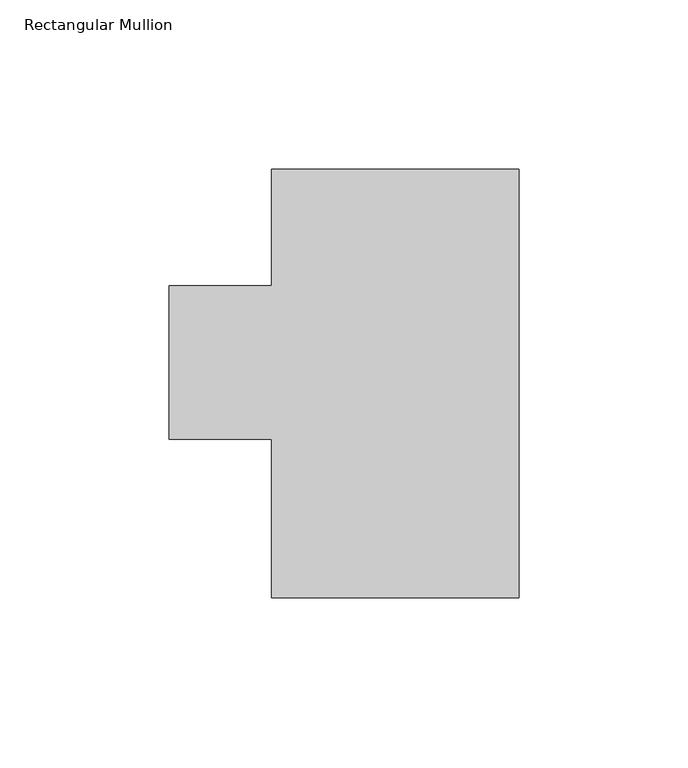
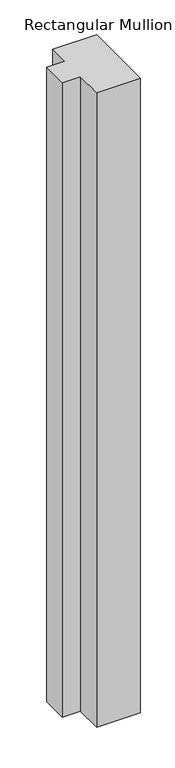
"""IFC4 building model written with IfcOpenShell, lengths in millimetres: member geometry, Rectangular Mullion."""

from ifc_helpers import new_model, si_unit, frame, origin, place, context, project, spatial, polyline, outline, extrude, source, transform, mapped, element, save


def rectangular_mullion_b0c3a5da(model_context):
    return source(origin(), model_context, "Body", "SweptSolid", [
        extrude(outline(polyline([(-73.025, 126.46025), (0.0, 126.46025), (0.0, -0.03175), (-73.025, -0.03175), (-73.025, 46.83125), (-103.2002, 46.83125), (-103.2002, 92.09405), (-73.025, 92.09405), (-73.025, 126.46025)])), frame((0.0, 0.0, -1123.9497287), z_axis=(0.0, 0.0, 1.0), x_axis=(1.0, 0.0, 0.0)), (0.0, 0.0, 1.0), 1123.9497287),
    ])


if __name__ == "__main__":
    model = new_model("IFC4")
    model_context = context("Model", 3, world=origin())
    ifc_project = project(units=[si_unit("LENGTHUNIT", "METRE", prefix="MILLI")], contexts=[model_context])
    site = spatial("IfcSite", under=ifc_project)
    building = spatial("IfcBuilding", under=site)
    placement = place(None, origin())
    rectangular_mullion_shape = rectangular_mullion_b0c3a5da(model_context)
    element("IfcMember", 1, ObjectType="Rectangular Mullion", at=placement, inside=building, context=model_context, shape_type="MappedRepresentation", body=[
        mapped(rectangular_mullion_shape, transform((0.0, 0.0, 0.0), x_axis=(1.0, 0.0, 0.0), y_axis=(0.0, 1.0, 0.0), z_axis=(0.0, 0.0, 1.0))),
    ])
    save(model, "model.ifc")
